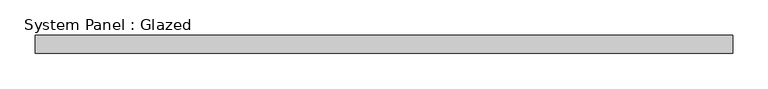
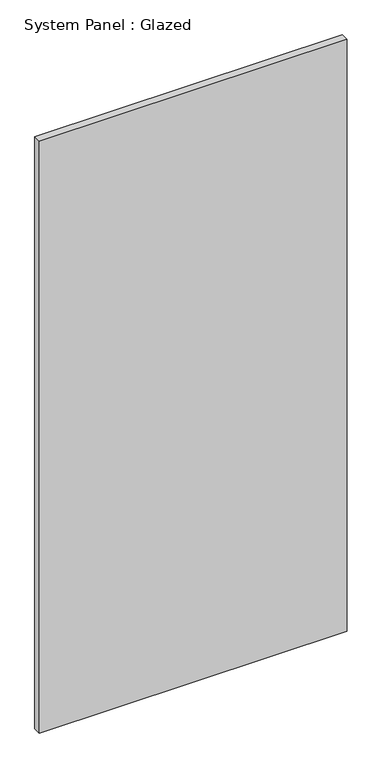
"""IFC4 building model written with IfcOpenShell, lengths in millimetres: plate geometry, System Panel : Glazed."""

import ifcopenshell
import ifcopenshell.guid

model = None  # the IFC model being written
_history = None  # IfcOwnerHistory: only IFC2X3 demands one
_inside = {}  # id of a spatial element -> (the spatial element, [elements in it])
_under = {}  # id of a project, library or spatial element -> (it, [spatial elements below it])
_declared = {}  # id of a project -> (the project, [libraries it declares])
_typed = {}  # id of a type object -> (the type object, [elements of that type])
_made_of = {}  # id of a material, layer set ... -> (it, [elements and type objects made of it])


def new_model(schema):
    """Start an empty IFC model of exactly this schema.

    Asked for "IFC4X3", IfcOpenShell would pick the latest addendum, in which some entities
    have other attributes; the version numbers below select the first issue.
    IFC2X3 requires an IfcOwnerHistory on every rooted entity: one is made here for all.
    """
    global model, _history
    if schema == "IFC4X3":
        model = ifcopenshell.file(schema_version=(4, 3, 0, 0))
    else:
        model = ifcopenshell.file(schema=schema)
    _inside.clear()
    _under.clear()
    _declared.clear()
    _typed.clear()
    _made_of.clear()
    _history = None
    if model.schema == "IFC2X3":
        org = make("IfcOrganization", Name="unknown")
        user = make(
            "IfcPersonAndOrganization",
            ThePerson=make("IfcPerson", FamilyName="unknown"),
            TheOrganization=org,
        )
        app = make(
            "IfcApplication",
            ApplicationDeveloper=org,
            Version="unknown",
            ApplicationFullName="unknown",
            ApplicationIdentifier="unknown",
        )
        _history = make(
            "IfcOwnerHistory",
            OwningUser=user,
            OwningApplication=app,
            ChangeAction="ADDED",
            CreationDate=0,
        )
    return model


def make(cls, **values):
    """One entity of the class cls with the attributes given. An attribute that is None is left unset."""
    return model.create_entity(
        cls, **{name: value for name, value in values.items() if value is not None}
    )


def rooted(cls, **values):
    """An entity with a GlobalId (a new one), such as an element, a storey or a relation."""
    return make(cls, GlobalId=ifcopenshell.guid.new(), OwnerHistory=_history, **values)


def si_unit(unit_type, name, prefix=None):
    """IfcSIUnit, for example si_unit("LENGTHUNIT", "METRE", prefix="MILLI")."""
    return make("IfcSIUnit", UnitType=unit_type, Prefix=prefix, Name=name)


def assignment(units):
    """IfcUnitAssignment: the units of a project."""
    return None if units is None else make("IfcUnitAssignment", Units=units)


def point(xyz):
    """IfcCartesianPoint."""
    return None if xyz is None else make("IfcCartesianPoint", Coordinates=xyz)


def direction(xyz):
    """IfcDirection."""
    return None if xyz is None else make("IfcDirection", DirectionRatios=xyz)


def frame(location, z_axis=None, x_axis=None):
    """IfcAxis2Placement3D, a coordinate frame: its origin and axes. An axis left out is left unset."""
    return make(
        "IfcAxis2Placement3D",
        Location=point(location),
        Axis=direction(z_axis),
        RefDirection=direction(x_axis),
    )


def origin():
    """The frame at (0, 0, 0) with its axes left unset."""
    return frame((0.0, 0.0, 0.0))


def origin_with_axes():
    """The frame at (0, 0, 0) with the z axis (0, 0, 1) and the x axis (1, 0, 0) written out."""
    return frame((0.0, 0.0, 0.0), z_axis=(0.0, 0.0, 1.0), x_axis=(1.0, 0.0, 0.0))


def place(relative_to, where):
    """IfcLocalPlacement: puts the frame where relative to a parent placement (None: the world)."""
    return make(
        "IfcLocalPlacement", PlacementRelTo=relative_to, RelativePlacement=where
    )


def context(
    kind, dimensions, precision=None, world=None, true_north=None, identifier=None
):
    """IfcGeometricRepresentationContext, for example the 3D "Model" context."""
    return make(
        "IfcGeometricRepresentationContext",
        ContextIdentifier=identifier,
        ContextType=kind,
        CoordinateSpaceDimension=dimensions,
        Precision=precision,
        WorldCoordinateSystem=world,
        TrueNorth=true_north,
    )


def project(units=None, contexts=None):
    """IfcProject with its units and contexts."""
    return rooted(
        "IfcProject",
        Name="project",
        RepresentationContexts=contexts,
        UnitsInContext=assignment(units),
    )


def spatial(cls, under=None, at=None, **own):
    """A site, building, storey or space (cls), placed at a placement, below another one or the project."""
    s = rooted(cls, ObjectPlacement=at, **own)
    if under is not None:
        _under.setdefault(under.id(), (under, []))[1].append(s)
    return s


def polyline(points):
    """IfcPolyline through the points."""
    return make("IfcPolyline", Points=[point(p) for p in points])


def outline(outer, holes=None, kind="AREA"):
    """IfcArbitraryClosedProfileDef: a profile drawn as a closed curve; with holes, ...WithVoids."""
    if holes is None:
        return make("IfcArbitraryClosedProfileDef", ProfileType=kind, OuterCurve=outer)
    return make(
        "IfcArbitraryProfileDefWithVoids",
        ProfileType=kind,
        OuterCurve=outer,
        InnerCurves=holes,
    )


def extrude(swept, where, along, depth):
    """IfcExtrudedAreaSolid: the profile swept, set in the frame where, extruded along a direction by depth."""
    return make(
        "IfcExtrudedAreaSolid",
        SweptArea=swept,
        Position=where,
        ExtrudedDirection=direction(along),
        Depth=depth,
    )


def shape(context_of_items, identifier, shape_type, items):
    """IfcShapeRepresentation: the items that make up one representation, for example the "Body"."""
    return make(
        "IfcShapeRepresentation",
        ContextOfItems=context_of_items,
        RepresentationIdentifier=identifier,
        RepresentationType=shape_type,
        Items=items,
    )


def source(mapping_origin, context_of_items, identifier, shape_type, items):
    """IfcRepresentationMap: a shape defined once, which mapped items show again and again."""
    return make(
        "IfcRepresentationMap",
        MappingOrigin=mapping_origin,
        MappedRepresentation=shape(context_of_items, identifier, shape_type, items),
    )


def transform(
    local_origin,
    x_axis=None,
    y_axis=None,
    z_axis=None,
    scale=None,
    scale2=None,
    scale3=None,
    uniform=True,
):
    """IfcCartesianTransformationOperator3D, or its non-uniform kind. x_axis, y_axis, z_axis: its Axis1, 2, 3."""
    if uniform:
        return make(
            "IfcCartesianTransformationOperator3D",
            Axis1=direction(x_axis),
            Axis2=direction(y_axis),
            LocalOrigin=point(local_origin),
            Scale=scale,
            Axis3=direction(z_axis),
        )
    return make(
        "IfcCartesianTransformationOperator3DnonUniform",
        Axis1=direction(x_axis),
        Axis2=direction(y_axis),
        LocalOrigin=point(local_origin),
        Scale=scale,
        Axis3=direction(z_axis),
        Scale2=scale2,
        Scale3=scale3,
    )


def mapped(mapping_source, mapping_target):
    """IfcMappedItem: shows the shape of a source again, moved by a transform."""
    return make(
        "IfcMappedItem", MappingSource=mapping_source, MappingTarget=mapping_target
    )


def made_of(thing, what):
    """Note that an element or type object is made of a material, layer set ...; save() writes the relation."""
    if what is not None:
        _made_of.setdefault(what.id(), (what, []))[1].append(thing)
    return thing


def element(
    cls,
    number,
    at=None,
    inside=None,
    cuts=None,
    type_object=None,
    material=None,
    context=None,
    identifier="Body",
    shape_type=None,
    held_by="IfcProductDefinitionShape",
    body=None,
    shapes=None,
    **own,
):
    """One element of the class cls, such as IfcWall. Its Tag is "e" and its number.

    at: its placement. inside: the storey or other place that contains it. cuts: it is an
    opening in that element (IfcRelVoidsElement). A single representation is given by context,
    identifier, shape_type and body (its items); several are given by shapes. held_by: the class
    of the entity that holds the representations. save() writes the other relations.
    """
    e = rooted(cls, Tag="e%d" % number, ObjectPlacement=at, **own)
    if body is not None:
        shapes = [shape(context, identifier, shape_type, body)]
    if shapes is not None:
        e.Representation = make(held_by, Representations=shapes)
    if inside is not None:
        _inside.setdefault(inside.id(), (inside, []))[1].append(e)
    if cuts is not None:
        rooted(
            "IfcRelVoidsElement", RelatingBuildingElement=cuts, RelatedOpeningElement=e
        )
    if type_object is not None:
        _typed.setdefault(type_object.id(), (type_object, []))[1].append(e)
    return made_of(e, material)


def aggregate(whole, parts):
    """IfcRelAggregates: a whole, such as a stair, and the parts it consists of."""
    return rooted("IfcRelAggregates", RelatingObject=whole, RelatedObjects=parts)


def save(model, path):
    """Write the relations noted so far, then the file.

    IfcRelAggregates (storeys below a building ...), IfcRelContainedInSpatialStructure (elements
    in a storey), IfcRelDefinesByType, IfcRelAssociatesMaterial and IfcRelDeclares: one each for
    every whole, place, type object, material and project.
    """
    for whole, parts in _under.values():
        aggregate(whole, parts)
    for where, things in _inside.values():
        rooted(
            "IfcRelContainedInSpatialStructure",
            RelatedElements=things,
            RelatingStructure=where,
        )
    for kind, things in _typed.values():
        rooted("IfcRelDefinesByType", RelatedObjects=things, RelatingType=kind)
    for what, things in _made_of.values():
        rooted("IfcRelAssociatesMaterial", RelatedObjects=things, RelatingMaterial=what)
    for by, libraries in _declared.values():
        rooted("IfcRelDeclares", RelatingContext=by, RelatedDefinitions=libraries)
    model.write(path)


def system_panel_glazed_9cc58273(model_context):
    return source(origin(), model_context, "Body", "SweptSolid", [
        extrude(outline(polyline([(492.1186586, 24.5), (-492.1186586, 24.5), (-492.1186586, 49.5), (492.1186586, 49.5), (492.1186586, 24.5)])), origin_with_axes(), (0.0, 0.0, 1.0), 2000.0),
    ])


if __name__ == "__main__":
    model = new_model("IFC4")
    model_context = context("Model", 3, world=origin())
    ifc_project = project(units=[si_unit("LENGTHUNIT", "METRE", prefix="MILLI")], contexts=[model_context])
    site = spatial("IfcSite", under=ifc_project)
    building = spatial("IfcBuilding", under=site)
    placement = place(None, origin())
    system_panel_glazed_shape = system_panel_glazed_9cc58273(model_context)
    element("IfcPlate", 1, ObjectType="System Panel : Glazed", at=placement, inside=building, context=model_context, shape_type="MappedRepresentation", body=[
        mapped(system_panel_glazed_shape, transform((0.0, 0.0, 0.0), x_axis=(1.0, 0.0, 0.0), y_axis=(0.0, 1.0, 0.0), z_axis=(0.0, 0.0, 1.0))),
    ])
    save(model, "model.ifc")
